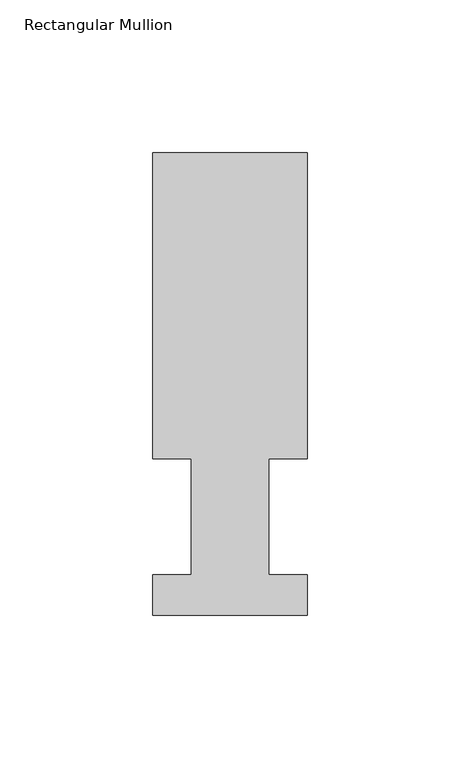
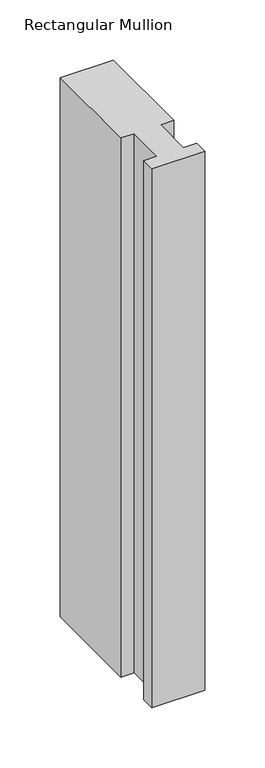
"""IFC4 building model written with IfcOpenShell, lengths in millimetres: member geometry, Rectangular Mullion."""

from ifc_helpers import new_model, si_unit, frame, origin, place, context, project, spatial, polyline, outline, extrude, source, transform, mapped, element, save


def rectangular_mullion_b16a8bb3(model_context):
    return source(origin(), model_context, "Body", "SweptSolid", [
        extrude(outline(polyline([(0.0, 151.7022937), (50.8, 151.7022937), (50.8, 51.2960937), (38.1, 51.2960937), (38.1, 13.1960938), (50.8, 13.1960938), (50.8, 0.0134937), (0.0, 0.0134937), (0.0, 13.1960938), (12.7, 13.1960938), (12.7, 51.2960938), (0.0, 51.2960938), (0.0, 151.7022937)])), frame((0.0, 0.0, -546.087333), z_axis=(0.0, 0.0, 1.0), x_axis=(1.0, 0.0, 0.0)), (0.0, 0.0, 1.0), 546.087333),
    ])


if __name__ == "__main__":
    model = new_model("IFC4")
    model_context = context("Model", 3, world=origin())
    ifc_project = project(units=[si_unit("LENGTHUNIT", "METRE", prefix="MILLI")], contexts=[model_context])
    site = spatial("IfcSite", under=ifc_project)
    building = spatial("IfcBuilding", under=site)
    placement = place(None, origin())
    rectangular_mullion_shape = rectangular_mullion_b16a8bb3(model_context)
    element("IfcMember", 1, ObjectType="Rectangular Mullion", at=placement, inside=building, context=model_context, shape_type="MappedRepresentation", body=[
        mapped(rectangular_mullion_shape, transform((0.0, 0.0, 0.0), x_axis=(1.0, 0.0, 0.0), y_axis=(0.0, 1.0, 0.0), z_axis=(0.0, 0.0, 1.0))),
    ])
    save(model, "model.ifc")
